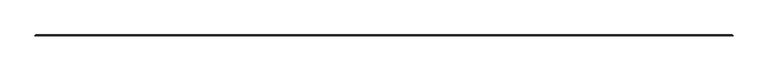
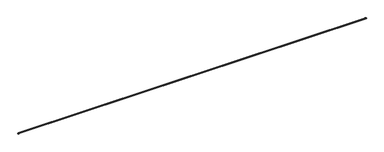
"""IFC4 building model written with IfcOpenShell, lengths in millimetres: railing geometry."""

from ifc_helpers import new_model, si_unit, point, frame, origin, place, context, project, spatial, polyline, circle_curve, ellipse_curve, trimmed, source, transform, mapped, element, save
from ifc_brep_helpers import plane_surface, cylinder_surface, revolved_surface, advanced_brep


def railing_31bafbff(model_context):
    return source(origin(), model_context, "Body", "AdvancedBrep", [
        advanced_brep(
        [(-23693.5336281, 70147.7361872, 660.5497363), (-23693.5336281, 70146.1246849, 662.089655), (-41981.5336281, 70146.1246849, 662.089655), (-41981.5336281, 70147.7361872, 660.5497363), (-23693.5336281, 70147.7361872, 710.9619562), (-41981.5336281, 70147.7361872, 710.9619562), (-23693.5336281, 70146.1246849, 709.4220375), (-41981.5336281, 70146.1246849, 709.4220375), (-23693.5336281, 70146.1246849, 706.4881985), (-41981.5336281, 70146.1246849, 706.4881985), (-23693.5336281, 70147.9894131, 706.4881985), (-41981.5336281, 70147.9894131, 706.4881985), (-23693.5336281, 70147.9894131, 709.0939899), (-41981.5336281, 70147.9894131, 709.0939899), (-23693.5336281, 70147.9894131, 662.4177026), (-41981.5336281, 70147.9894131, 662.4177026), (-23693.5336281, 70146.1246849, 665.023494), (-23693.5336281, 70147.9894131, 665.023494), (-41981.5336281, 70147.9894131, 665.023494), (-41981.5336281, 70146.1246849, 665.023494), (-23690.7802932, 70144.9828523, 660.5497363), (-23692.3917955, 70144.9828523, 662.089655), (-23690.7802932, 70144.9828523, 710.9619562), (-23692.3917955, 70144.9828523, 709.4220375), (-23692.3917955, 70144.9828523, 706.4881985), (-23690.5270673, 70144.9828523, 706.4881985), (-23690.5270673, 70144.9828523, 709.0939899), (-23690.5270673, 70144.9828523, 662.4177026), (-23690.5270673, 70144.9828523, 665.023494), (-23692.3917955, 70144.9828523, 665.023494), (-41984.286963, 70144.9828523, 660.5497363), (-41982.6754607, 70144.9828523, 662.089655), (-41984.286963, 70144.9828523, 710.9619562), (-41982.6754607, 70144.9828523, 709.4220375), (-41982.6754607, 70144.9828523, 706.4881985), (-41984.5401889, 70144.9828523, 706.4881985), (-41984.5401889, 70144.9828523, 709.0939899), (-41984.5401889, 70144.9828523, 662.4177026), (-41984.5401889, 70144.9828523, 665.023494), (-41982.6754607, 70144.9828523, 665.023494)],
        [
            (0, 1, circle_curve(frame((-23693.5336281, 70147.6661935, 662.089655), z_axis=(-1.0, 0.0, 0.0), x_axis=(0.0, -1.0, 0.0)), 1.5415086)),
            (1, 2),
            (2, 3, circle_curve(frame((-41981.5336281, 70147.6661935, 662.089655), z_axis=(1.0, 0.0, 0.0), x_axis=(0.0, -1.0, 0.0)), 1.5415086)),
            (3, 0),
            (4, 0, circle_curve(frame((-23693.5336281, 70145.8611518, 685.7558462), z_axis=(-1.0, 0.0, 0.0), x_axis=(0.0, 0.07418316266858713, -0.9972446331650454)), 25.275754)),
            (3, 5, circle_curve(frame((-41981.5336281, 70145.8611518, 685.7558462), z_axis=(1.0, 0.0, 0.0), x_axis=(0.0, 0.07418316266858713, -0.9972446331650454)), 25.275754)),
            (5, 4),
            (6, 4, circle_curve(frame((-23693.5336281, 70147.6661935, 709.4220375), z_axis=(-1.0, 0.0, 0.0), x_axis=(0.0, 0.0454059353817182, 0.9989686186423031)), 1.5415086)),
            (5, 7, circle_curve(frame((-41981.5336281, 70147.6661935, 709.4220375), z_axis=(1.0, 0.0, 0.0), x_axis=(0.0, 0.0454059353817182, 0.9989686186423031)), 1.5415086)),
            (7, 6),
            (8, 6),
            (7, 9),
            (9, 8),
            (10, 8),
            (9, 11),
            (11, 10),
            (12, 10),
            (11, 13),
            (13, 12),
            (14, 12, circle_curve(frame((-23693.5336281, 70145.834785, 685.7558462), z_axis=(1.0, 0.0, 0.0), x_axis=(0.0, 0.10908602633907188, 0.9940323127834182)), 23.4373926)),
            (13, 15, circle_curve(frame((-41981.5336281, 70145.834785, 685.7558462), z_axis=(-1.0, 0.0, 0.0), x_axis=(0.0, 0.10908602633907188, 0.9940323127834182)), 23.4373926)),
            (15, 14),
            (16, 17),
            (17, 18),
            (18, 19),
            (19, 16),
            (17, 14),
            (15, 18),
            (1, 16),
            (19, 2),
            (0, 20, circle_curve(frame((-23693.5336281, 70144.9828523, 660.5497363), z_axis=(0.0, 0.0, -1.0), x_axis=(1.0, 2.387423592136566e-12, 0.0)), 2.7533349)),
            (20, 21, circle_curve(frame((-23690.8502868, 70144.9828523, 662.089655), z_axis=(0.0, 1.0, 0.0), x_axis=(-1.0, 0.0, 0.0)), 1.5415086)),
            (21, 1, circle_curve(frame((-23693.5336281, 70144.9828523, 662.089655), z_axis=(0.0, 0.0, 1.0), x_axis=(1.0, 2.387423592136566e-12, 0.0)), 1.1418326)),
            (4, 22, circle_curve(frame((-23693.5336281, 70144.9828523, 710.9619562), z_axis=(0.0, 0.0, -1.0), x_axis=(1.0, 2.387423592136566e-12, 0.0)), 2.7533349)),
            (22, 20, circle_curve(frame((-23692.6553286, 70144.9828523, 685.7558462), z_axis=(0.0, 1.0, 0.0), x_axis=(0.07418316266858713, 0.0, -0.9972446331650454)), 25.275754)),
            (6, 23, circle_curve(frame((-23693.5336281, 70144.9828523, 709.4220375), z_axis=(0.0, 0.0, -1.0), x_axis=(1.0, 2.387423592136566e-12, 0.0)), 1.1418326)),
            (23, 22, circle_curve(frame((-23690.8502868, 70144.9828523, 709.4220375), z_axis=(5.199447774438478e-12, 1.0, 0.0), x_axis=(0.0454059353817182, 0.0, 0.9989686186423031)), 1.5415086)),
            (8, 24, circle_curve(frame((-23693.5336281, 70144.9828523, 706.4881985), z_axis=(0.0, 0.0, -1.0), x_axis=(1.0, 2.387423592136566e-12, 0.0)), 1.1418326)),
            (24, 23),
            (10, 25, circle_curve(frame((-23693.5336281, 70144.9828523, 706.4881985), z_axis=(0.0, 0.0, -1.0), x_axis=(1.0, 2.387423592136566e-12, 0.0)), 3.0065608)),
            (25, 24),
            (12, 26, circle_curve(frame((-23693.5336281, 70144.9828523, 709.0939899), z_axis=(0.0, 0.0, -1.0), x_axis=(1.0, 2.387423592136566e-12, 0.0)), 3.0065608)),
            (26, 25),
            (14, 27, circle_curve(frame((-23693.5336281, 70144.9828523, 662.4177026), z_axis=(0.0, 0.0, -1.0), x_axis=(1.0, 2.387423592136566e-12, 0.0)), 3.0065608)),
            (27, 26, circle_curve(frame((-23692.6816954, 70144.9828523, 685.7558462), z_axis=(0.0, -1.0, 0.0), x_axis=(0.10908602633907188, 0.0, 0.9940323127834182)), 23.4373926)),
            (17, 28, circle_curve(frame((-23693.5336281, 70144.9828523, 665.023494), z_axis=(0.0, 0.0, -1.0), x_axis=(1.0, 2.387423592136566e-12, 0.0)), 3.0065608)),
            (28, 27),
            (16, 29, circle_curve(frame((-23693.5336281, 70144.9828523, 665.023494), z_axis=(0.0, 0.0, -1.0), x_axis=(1.0, 2.387423592136566e-12, 0.0)), 1.1418326)),
            (29, 28),
            (21, 29),
            (30, 3, circle_curve(frame((-41981.5336281, 70144.9828523, 660.5497363), z_axis=(0.0, 0.0, -1.0), x_axis=(0.0, 1.0, 0.0)), 2.7533349)),
            (2, 31, circle_curve(frame((-41981.5336281, 70144.9828523, 662.089655), z_axis=(0.0, 0.0, 1.0), x_axis=(0.0, 1.0, 0.0)), 1.1418326)),
            (31, 30, circle_curve(frame((-41984.2169693, 70144.9828523, 662.089655), z_axis=(0.0, 1.0, 0.0), x_axis=(1.0, 0.0, 0.0)), 1.5415086)),
            (32, 5, circle_curve(frame((-41981.5336281, 70144.9828523, 710.9619562), z_axis=(0.0, 0.0, -1.0), x_axis=(0.0, 1.0, 0.0)), 2.7533349)),
            (30, 32, circle_curve(frame((-41982.4119276, 70144.9828523, 685.7558462), z_axis=(0.0, 1.0, 0.0), x_axis=(-0.07418316266858713, 0.0, -0.9972446331650454)), 25.275754)),
            (33, 7, circle_curve(frame((-41981.5336281, 70144.9828523, 709.4220375), z_axis=(0.0, 0.0, -1.0), x_axis=(0.0, 1.0, 0.0)), 1.1418326)),
            (32, 33, circle_curve(frame((-41984.2169693, 70144.9828523, 709.4220375), z_axis=(0.0, 1.0, 0.0), x_axis=(-0.0454059353817182, 0.0, 0.9989686186423031)), 1.5415086)),
            (34, 9, circle_curve(frame((-41981.5336281, 70144.9828523, 706.4881985), z_axis=(0.0, 0.0, -1.0), x_axis=(0.0, 1.0, 0.0)), 1.1418326)),
            (33, 34),
            (35, 11, circle_curve(frame((-41981.5336281, 70144.9828523, 706.4881985), z_axis=(0.0, 0.0, -1.0), x_axis=(0.0, 1.0, 0.0)), 3.0065608)),
            (34, 35),
            (36, 13, circle_curve(frame((-41981.5336281, 70144.9828523, 709.0939899), z_axis=(0.0, 0.0, -1.0), x_axis=(0.0, 1.0, 0.0)), 3.0065608)),
            (35, 36),
            (37, 15, circle_curve(frame((-41981.5336281, 70144.9828523, 662.4177026), z_axis=(0.0, 0.0, -1.0), x_axis=(0.0, 1.0, 0.0)), 3.0065608)),
            (36, 37, circle_curve(frame((-41982.3855608, 70144.9828523, 685.7558462), z_axis=(0.0, -1.0, 0.0), x_axis=(-0.10908602633907188, 0.0, 0.9940323127834182)), 23.4373926)),
            (38, 18, circle_curve(frame((-41981.5336281, 70144.9828523, 665.023494), z_axis=(0.0, 0.0, -1.0), x_axis=(0.0, 1.0, 0.0)), 3.0065608)),
            (37, 38),
            (39, 19, circle_curve(frame((-41981.5336281, 70144.9828523, 665.023494), z_axis=(0.0, 0.0, -1.0), x_axis=(0.0, 1.0, 0.0)), 1.1418326)),
            (38, 39),
            (39, 31),
        ],
        [
            cylinder_surface(frame((-23693.5336281, 70147.6661935, 662.089655), z_axis=(1.0, 0.0, 0.0), x_axis=(0.0, -1.0, 0.0)), 1.5415086),
            cylinder_surface(frame((-23693.5336281, 70145.8611518, 685.7558462), z_axis=(1.0, 0.0, 0.0), x_axis=(0.0, 0.07418316266858713, -0.9972446331650454)), 25.275754),
            cylinder_surface(frame((-23693.5336281, 70147.6661935, 709.4220375), z_axis=(1.0, 0.0, 0.0), x_axis=(0.0, 0.0454059353817182, 0.9989686186423031)), 1.5415086),
            plane_surface(frame((-23693.5336281, 70146.1246849, 709.4220375), z_axis=(0.0, -1.0, 0.0), x_axis=(-1.0, 0.0, 0.0))),
            plane_surface(frame((-23693.5336281, 70146.1246849, 706.4881985), z_axis=(0.0, 0.0, -1.0), x_axis=(-1.0, 0.0, 0.0))),
            plane_surface(frame((-23693.5336281, 70147.9894131, 706.4881985), z_axis=(0.0, 1.0, 0.0), x_axis=(-1.0, 0.0, 0.0))),
            revolved_surface(polyline([(-41981.5336281, 70148.39147702648, 709.0533717717909), (-23693.5336281, 70148.39147702648, 709.0533717717909)]), (-23693.5336281, 70145.834785, 685.7558462), (-1.0, 0.0, 0.0)),
            plane_surface(frame((-23693.5336281, 70147.9894131, 665.023494), z_axis=(0.0, 0.0, 1.0), x_axis=(-1.0, 0.0, 0.0))),
            plane_surface(frame((-23693.5336281, 70147.9894131, 662.4177026), z_axis=(0.0, 1.0, 0.0), x_axis=(-1.0, 0.0, 0.0))),
            plane_surface(frame((-23693.5336281, 70146.1246849, 665.023494), z_axis=(0.0, -1.0, 0.0), x_axis=(-1.0, 0.0, 0.0))),
            revolved_surface(trimmed(ellipse_curve(frame((-23690.8502868, 70144.9828523, 662.089655), z_axis=(2.387423592136566e-12, -1.0, 0.0), x_axis=(-1.0, -2.387423592136566e-12, 0.0)), 1.5415086, 1.5415086), [point((-23692.3917955, 70144.9828523, 662.089655))], [point((-23690.7802932, 70144.9828523, 660.5497363))], True, "CARTESIAN"), (-23693.5336281, 70144.9828523, 711.2), (0.0, 0.0, 1.0)),
            revolved_surface(trimmed(ellipse_curve(frame((-23692.6553286, 70144.9828523, 685.7558462), z_axis=(2.387423592136566e-12, -1.0, 0.0), x_axis=(0.07418316266858713, 0.0, -0.9972446331650454)), 25.275754, 25.275754), [point((-23690.7802932, 70144.9828523, 660.5497363))], [point((-23690.7802932, 70144.9828523, 710.9619562))], True, "CARTESIAN"), (-23693.5336281, 70144.9828523, 711.2), (0.0, 0.0, 1.0)),
            revolved_surface(trimmed(ellipse_curve(frame((-23690.8502868, 70144.9828523, 709.4220375), z_axis=(2.387423592136566e-12, -1.0, 0.0), x_axis=(0.0454059353817182, 0.0, 0.9989686186423031)), 1.5415086, 1.5415086), [point((-23690.7802932, 70144.9828523, 710.9619562))], [point((-23692.3917955, 70144.9828523, 709.4220375))], True, "CARTESIAN"), (-23693.5336281, 70144.9828523, 711.2), (0.0, 0.0, 1.0)),
            revolved_surface(polyline([(-23692.391795500003, 70144.9828523, 709.4220375), (-23692.391795500003, 70144.9828523, 706.4881985)]), (-23693.5336281, 70144.9828523, 711.2), (0.0, 0.0, 1.0)),
            plane_surface(frame((-23693.5336281, 70144.9828523, 706.4881985), z_axis=(0.0, 0.0, -1.0), x_axis=(1.0, 2.387423592136566e-12, 0.0))),
            cylinder_surface(frame((-23693.5336281, 70144.9828523, 711.2), z_axis=(0.0, 0.0, 1.0), x_axis=(1.0, 2.387423592136566e-12, 0.0)), 3.0065608),
            revolved_surface(trimmed(ellipse_curve(frame((-23692.6816954, 70144.9828523, 685.7558462), z_axis=(-2.387423592136566e-12, 1.0, 0.0), x_axis=(0.10908602633907188, 0.0, 0.9940323127834182)), 23.4373926, 23.4373926), [point((-23690.5270673, 70144.9828523, 709.0939899))], [point((-23690.5270673, 70144.9828523, 662.4177026))], True, "CARTESIAN"), (-23693.5336281, 70144.9828523, 711.2), (0.0, 0.0, 1.0)),
            plane_surface(frame((-23693.5336281, 70144.9828523, 665.023494), z_axis=(0.0, 0.0, 1.0), x_axis=(1.0, 2.387423592136566e-12, 0.0))),
            revolved_surface(polyline([(-23692.391795500003, 70144.9828523, 665.023494), (-23692.391795500003, 70144.9828523, 662.089655)]), (-23693.5336281, 70144.9828523, 711.2), (0.0, 0.0, 1.0)),
            plane_surface(frame((-23692.7398781, 70144.9828523, 711.2), z_axis=(2.387423592136566e-12, -1.0, 0.0), x_axis=(0.0, 0.0, 1.0))),
            revolved_surface(trimmed(ellipse_curve(frame((-41981.5336281, 70147.6661935, 662.089655), z_axis=(1.0, 0.0, 0.0), x_axis=(0.0, -1.0, 0.0)), 1.5415086, 1.5415086), [point((-41981.5336281, 70146.1246849, 662.089655))], [point((-41981.5336281, 70147.7361872, 660.5497363))], True, "CARTESIAN"), (-41981.5336281, 70144.9828523, 711.2), (0.0, 0.0, 1.0)),
            revolved_surface(trimmed(ellipse_curve(frame((-41981.5336281, 70145.8611518, 685.7558462), z_axis=(1.0, 0.0, 0.0), x_axis=(0.0, 0.07418316266858713, -0.9972446331650454)), 25.275754, 25.275754), [point((-41981.5336281, 70147.7361872, 660.5497363))], [point((-41981.5336281, 70147.7361872, 710.9619562))], True, "CARTESIAN"), (-41981.5336281, 70144.9828523, 711.2), (0.0, 0.0, 1.0)),
            revolved_surface(trimmed(ellipse_curve(frame((-41981.5336281, 70147.6661935, 709.4220375), z_axis=(1.0, 0.0, 0.0), x_axis=(0.0, 0.0454059353817182, 0.9989686186423031)), 1.5415086, 1.5415086), [point((-41981.5336281, 70147.7361872, 710.9619562))], [point((-41981.5336281, 70146.1246849, 709.4220375))], True, "CARTESIAN"), (-41981.5336281, 70144.9828523, 711.2), (0.0, 0.0, 1.0)),
            revolved_surface(polyline([(-41981.5336281, 70146.1246849, 709.4220375), (-41981.5336281, 70146.1246849, 706.4881985)]), (-41981.5336281, 70144.9828523, 711.2), (0.0, 0.0, 1.0)),
            plane_surface(frame((-41981.5336281, 70144.9828523, 706.4881985), z_axis=(0.0, 0.0, -1.0), x_axis=(0.0, 1.0, 0.0))),
            cylinder_surface(frame((-41981.5336281, 70144.9828523, 711.2), z_axis=(0.0, 0.0, 1.0), x_axis=(0.0, 1.0, 0.0)), 3.0065608),
            revolved_surface(trimmed(ellipse_curve(frame((-41981.5336281, 70145.834785, 685.7558462), z_axis=(-1.0, 0.0, 0.0), x_axis=(0.0, 0.10908602633907188, 0.9940323127834182)), 23.4373926, 23.4373926), [point((-41981.5336281, 70147.9894131, 709.0939899))], [point((-41981.5336281, 70147.9894131, 662.4177026))], True, "CARTESIAN"), (-41981.5336281, 70144.9828523, 711.2), (0.0, 0.0, 1.0)),
            plane_surface(frame((-41981.5336281, 70144.9828523, 665.023494), z_axis=(0.0, 0.0, 1.0), x_axis=(0.0, 1.0, 0.0))),
            revolved_surface(polyline([(-41981.5336281, 70146.1246849, 665.023494), (-41981.5336281, 70146.1246849, 662.089655)]), (-41981.5336281, 70144.9828523, 711.2), (0.0, 0.0, 1.0)),
            plane_surface(frame((-41982.3273781, 70144.9828523, 711.2), z_axis=(0.0, -1.0, 0.0), x_axis=(0.0, 0.0, -1.0))),
        ],
        [
            (0, [[1, 2, 3, 4]]),
            (1, [[5, -4, 6, 7]]),
            (2, [[8, -7, 9, 10]]),
            (3, [[11, -10, 12, 13]]),
            (4, [[14, -13, 15, 16]]),
            (5, [[17, -16, 18, 19]]),
            (6, [[20, -19, 21, 22]]),
            (7, [[23, 24, 25, 26]]),
            (8, [[27, -22, 28, -24]]),
            (9, [[29, -26, 30, -2]]),
            (10, [[31, 32, 33, -1]]),
            (11, [[34, 35, -31, -5]]),
            (12, [[36, 37, -34, -8]]),
            (13, [[38, 39, -36, -11]]),
            (14, [[40, 41, -38, -14]]),
            (15, [[42, 43, -40, -17]]),
            (16, [[44, 45, -42, -20]]),
            (15, [[46, 47, -44, -27]]),
            (17, [[48, 49, -46, -23]]),
            (18, [[-33, 50, -48, -29]]),
            (19, [[-32, -35, -37, -39, -41, -43, -45, -47, -49, -50]]),
            (20, [[51, -3, 52, 53]]),
            (21, [[54, -6, -51, 55]]),
            (22, [[56, -9, -54, 57]]),
            (23, [[58, -12, -56, 59]]),
            (24, [[60, -15, -58, 61]]),
            (25, [[62, -18, -60, 63]]),
            (26, [[64, -21, -62, 65]]),
            (25, [[66, -28, -64, 67]]),
            (27, [[68, -25, -66, 69]]),
            (28, [[-52, -30, -68, 70]]),
            (29, [[-70, -69, -67, -65, -63, -61, -59, -57, -55, -53]]),
        ],
    ),
        advanced_brep(
        [(-23693.5336281, 70148.1385914, 701.2912111), (-23693.5336281, 70148.9032007, 702.1590981), (-41981.5336281, 70148.9032007, 702.1590981), (-41981.5336281, 70148.1385914, 701.2912111), (-23693.5336281, 70148.1445863, 708.1307613), (-41981.5336281, 70148.1445863, 708.1307613), (-23693.5336281, 70149.0809844, 708.9529375), (-41981.5336281, 70149.0809844, 708.9529375), (-23693.5336281, 70160.1846025, 702.6593278), (-41981.5336281, 70160.1846025, 702.6593278), (-23693.5336281, 70158.6184968, 701.0610484), (-41981.5336281, 70158.6184968, 701.0610484), (-23693.5336281, 70150.6567038, 706.1119583), (-41981.5336281, 70150.6567038, 706.1119583), (-23693.5336281, 70148.0142761, 699.0561068), (-23693.5336281, 70148.0142761, 672.447512), (-41981.5336281, 70148.0142761, 672.447512), (-41981.5336281, 70148.0142761, 699.0561068), (-23693.5336281, 70151.1230343, 702.4410962), (-41981.5336281, 70151.1230343, 702.4410962), (-23693.5336281, 70145.7766023, 701.2912111), (-41981.5336281, 70145.7766023, 701.2912111), (-23693.5336281, 70145.7766023, 670.2124078), (-41981.5336281, 70145.7766023, 670.2124078), (-23693.5336281, 70148.1385914, 670.2124078), (-41981.5336281, 70148.1385914, 670.2124078), (-23693.5336281, 70148.9032007, 669.3445208), (-41981.5336281, 70148.9032007, 669.3445208), (-23693.5336281, 70148.1445863, 663.3728575), (-41981.5336281, 70148.1445863, 663.3728575), (-23693.5336281, 70149.0809844, 662.5506813), (-41981.5336281, 70149.0809844, 662.5506813), (-23693.5336281, 70160.1846025, 668.844291), (-41981.5336281, 70160.1846025, 668.844291), (-23693.5336281, 70158.6184968, 670.4425704), (-41981.5336281, 70158.6184968, 670.4425704), (-23693.5336281, 70150.6567038, 665.3916605), (-41981.5336281, 70150.6567038, 665.3916605), (-23693.5336281, 70151.1230343, 669.0625226), (-41981.5336281, 70151.1230343, 669.0625226), (-23690.5022042, 70144.9828523, 672.447512), (-23687.3934461, 70144.9828523, 669.0625226), (-23690.5022042, 70144.9828523, 699.0561068), (-23687.3934461, 70144.9828523, 702.4410962), (-23687.8597766, 70144.9828523, 706.1119583), (-23679.8979836, 70144.9828523, 701.0610484), (-23678.3318778, 70144.9828523, 702.6593278), (-23689.435496, 70144.9828523, 708.9529375), (-23690.3718941, 70144.9828523, 708.1307613), (-23689.6132797, 70144.9828523, 702.1590981), (-23690.377889, 70144.9828523, 701.2912111), (-23692.7398781, 70144.9828523, 701.2912111), (-23692.7398781, 70144.9828523, 670.2124078), (-23690.377889, 70144.9828523, 670.2124078), (-23689.6132797, 70144.9828523, 669.3445208), (-23690.3718941, 70144.9828523, 663.3728575), (-23689.435496, 70144.9828523, 662.5506813), (-23678.3318778, 70144.9828523, 668.844291), (-23679.8979836, 70144.9828523, 670.4425704), (-23687.8597766, 70144.9828523, 665.3916605), (-41984.5650519, 70144.9828523, 672.447512), (-41987.6738101, 70144.9828523, 669.0625226), (-41984.5650519, 70144.9828523, 699.0561068), (-41987.6738101, 70144.9828523, 702.4410962), (-41987.2074796, 70144.9828523, 706.1119583), (-41995.1692726, 70144.9828523, 701.0610484), (-41996.7353783, 70144.9828523, 702.6593278), (-41985.6317602, 70144.9828523, 708.9529375), (-41984.6953621, 70144.9828523, 708.1307613), (-41985.4539765, 70144.9828523, 702.1590981), (-41984.6893671, 70144.9828523, 701.2912111), (-41982.3273781, 70144.9828523, 701.2912111), (-41982.3273781, 70144.9828523, 670.2124078), (-41984.6893671, 70144.9828523, 670.2124078), (-41985.4539765, 70144.9828523, 669.3445208), (-41984.6953621, 70144.9828523, 663.3728575), (-41985.6317602, 70144.9828523, 662.5506813), (-41996.7353783, 70144.9828523, 668.844291), (-41995.1692726, 70144.9828523, 670.4425704), (-41987.2074796, 70144.9828523, 665.3916605)],
        [
            (0, 1, circle_curve(frame((-23693.5336281, 70148.1385914, 702.0619654), z_axis=(1.0, 0.0, 0.0), x_axis=(0.0, 0.0, -1.0)), 0.7707543)),
            (1, 2),
            (2, 3, circle_curve(frame((-41981.5336281, 70148.1385914, 702.0619654), z_axis=(-1.0, 0.0, 0.0), x_axis=(0.0, 0.0, -1.0)), 0.7707543)),
            (3, 0),
            (1, 4),
            (4, 5),
            (5, 2),
            (4, 6, circle_curve(frame((-23693.5336281, 70148.8905268, 708.2255224), z_axis=(-1.0, 0.0, 0.0), x_axis=(0.0, -0.9920273342422427, -0.12602288727143926)), 0.7519354)),
            (6, 7),
            (7, 5, circle_curve(frame((-41981.5336281, 70148.8905268, 708.2255224), z_axis=(1.0, 0.0, 0.0), x_axis=(0.0, -0.9920273342422427, -0.12602288727143926)), 0.7519354)),
            (6, 8, circle_curve(frame((-23693.5336281, 70142.7834274, 684.9006681), z_axis=(-1.0, 0.0, 0.0), x_axis=(0.0, 0.25328987662532304, 0.9673904270764357)), 24.8630426)),
            (8, 9),
            (9, 7, circle_curve(frame((-41981.5336281, 70142.7834274, 684.9006681), z_axis=(1.0, 0.0, 0.0), x_axis=(0.0, 0.25328987662532304, 0.9673904270764357)), 24.8630426)),
            (8, 10, circle_curve(frame((-23693.5336281, 70159.4015497, 701.8601881), z_axis=(-1.0, 0.0, 0.0), x_axis=(0.0, 0.6998811599601241, 0.7142593100078369)), 1.1188369)),
            (10, 11),
            (11, 9, circle_curve(frame((-41981.5336281, 70159.4015497, 701.8601881), z_axis=(1.0, 0.0, 0.0), x_axis=(0.0, 0.6998811599601241, 0.7142593100078369)), 1.1188369)),
            (10, 12, circle_curve(frame((-23693.5336281, 70142.7834274, 684.9006681), z_axis=(1.0, 0.0, 0.0), x_axis=(0.0, 0.6998811599601051, 0.7142593100078556)), 22.6253688)),
            (12, 13),
            (13, 11, circle_curve(frame((-41981.5336281, 70142.7834274, 684.9006681), z_axis=(-1.0, 0.0, 0.0), x_axis=(0.0, 0.6998811599601051, 0.7142593100078556)), 22.6253688)),
            (14, 15),
            (15, 16),
            (16, 17),
            (17, 14),
            (18, 14, circle_curve(frame((-23693.5336281, 70148.1385914, 702.0619654), z_axis=(-1.0, 0.0, 0.0), x_axis=(0.0, 0.9920273342422518, 0.12602288727136737)), 3.0084282)),
            (17, 19, circle_curve(frame((-41981.5336281, 70148.1385914, 702.0619654), z_axis=(1.0, 0.0, 0.0), x_axis=(0.0, 0.9920273342422518, 0.12602288727136737)), 3.0084282)),
            (19, 18),
            (12, 18),
            (19, 13),
            (20, 0),
            (3, 21),
            (21, 20),
            (22, 20),
            (21, 23),
            (23, 22),
            (24, 22),
            (23, 25),
            (25, 24),
            (26, 24, circle_curve(frame((-23693.5336281, 70148.1385914, 669.4416534), z_axis=(1.0, 0.0, 0.0), x_axis=(0.0, 0.9920273342422673, -0.12602288727124547)), 0.7707543)),
            (25, 27, circle_curve(frame((-41981.5336281, 70148.1385914, 669.4416534), z_axis=(-1.0, 0.0, 0.0), x_axis=(0.0, 0.9920273342422673, -0.12602288727124547)), 0.7707543)),
            (27, 26),
            (28, 26),
            (27, 29),
            (29, 28),
            (30, 28, circle_curve(frame((-23693.5336281, 70148.8905268, 663.2780964), z_axis=(-1.0, 0.0, 0.0), x_axis=(0.0, 0.25328987662541735, -0.967390427076411)), 0.7519354)),
            (29, 31, circle_curve(frame((-41981.5336281, 70148.8905268, 663.2780964), z_axis=(1.0, 0.0, 0.0), x_axis=(0.0, 0.25328987662541735, -0.967390427076411)), 0.7519354)),
            (31, 30),
            (32, 30, circle_curve(frame((-23693.5336281, 70142.7834274, 686.6029507), z_axis=(-1.0, 0.0, 0.0), x_axis=(0.0, 0.6998811599601318, -0.7142593100078293)), 24.8630426)),
            (31, 33, circle_curve(frame((-41981.5336281, 70142.7834274, 686.6029507), z_axis=(1.0, 0.0, 0.0), x_axis=(0.0, 0.6998811599601318, -0.7142593100078293)), 24.8630426)),
            (33, 32),
            (34, 32, circle_curve(frame((-23693.5336281, 70159.4015497, 669.6434307), z_axis=(-1.0, 0.0, 0.0), x_axis=(0.0, -0.6998811599601241, 0.7142593100078369)), 1.1188369)),
            (33, 35, circle_curve(frame((-41981.5336281, 70159.4015497, 669.6434307), z_axis=(1.0, 0.0, 0.0), x_axis=(0.0, -0.6998811599601241, 0.7142593100078369)), 1.1188369)),
            (35, 34),
            (36, 34, circle_curve(frame((-23693.5336281, 70142.7834274, 686.6029507), z_axis=(1.0, 0.0, 0.0), x_axis=(0.0, 0.3479844424952914, -0.9375003081499448)), 22.6253688)),
            (35, 37, circle_curve(frame((-41981.5336281, 70142.7834274, 686.6029507), z_axis=(-1.0, 0.0, 0.0), x_axis=(0.0, 0.3479844424952914, -0.9375003081499448)), 22.6253688)),
            (37, 36),
            (38, 36),
            (37, 39),
            (39, 38),
            (15, 38, circle_curve(frame((-23693.5336281, 70148.1385914, 669.4416534), z_axis=(-1.0, 0.0, 0.0), x_axis=(0.0, 0.0, 1.0)), 3.0084282)),
            (39, 16, circle_curve(frame((-41981.5336281, 70148.1385914, 669.4416534), z_axis=(1.0, 0.0, 0.0), x_axis=(0.0, 0.0, 1.0)), 3.0084282)),
            (15, 40, circle_curve(frame((-23693.5336281, 70144.9828523, 672.447512), z_axis=(0.0, 0.0, -1.0), x_axis=(1.0, 2.387423592136566e-12, 0.0)), 3.0314238)),
            (40, 41, circle_curve(frame((-23690.377889, 70144.9828523, 669.4416534), z_axis=(0.0, 1.0, 0.0), x_axis=(0.0, 0.0, 1.0)), 3.0084282)),
            (41, 38, circle_curve(frame((-23693.5336281, 70144.9828523, 669.0625226), z_axis=(0.0, 0.0, 1.0), x_axis=(1.0, 2.387423592136566e-12, 0.0)), 6.140182)),
            (14, 42, circle_curve(frame((-23693.5336281, 70144.9828523, 699.0561068), z_axis=(0.0, 0.0, -1.0), x_axis=(1.0, 2.387423592136566e-12, 0.0)), 3.0314238)),
            (42, 40),
            (18, 43, circle_curve(frame((-23693.5336281, 70144.9828523, 702.4410962), z_axis=(0.0, 0.0, -1.0), x_axis=(1.0, 2.387423592136566e-12, 0.0)), 6.140182)),
            (43, 42, circle_curve(frame((-23690.377889, 70144.9828523, 702.0619654), z_axis=(0.0, 1.0, 0.0), x_axis=(0.9920273342422518, 0.0, 0.12602288727136737)), 3.0084282)),
            (12, 44, circle_curve(frame((-23693.5336281, 70144.9828523, 706.1119583), z_axis=(0.0, 0.0, -1.0), x_axis=(1.0, 2.387423592136566e-12, 0.0)), 5.6738515)),
            (44, 43),
            (10, 45, circle_curve(frame((-23693.5336281, 70144.9828523, 701.0610484), z_axis=(0.0, 0.0, -1.0), x_axis=(1.0, 2.387423592136566e-12, 0.0)), 13.6356445)),
            (45, 44, circle_curve(frame((-23695.733053, 70144.9828523, 684.9006681), z_axis=(1.7521080376705056e-12, -1.0000000000000002, 0.0), x_axis=(0.6998811599601051, 1.2262674057802568e-12, 0.7142593100078556)), 22.6253688)),
            (8, 46, circle_curve(frame((-23693.5336281, 70144.9828523, 702.6593278), z_axis=(0.0, 0.0, -1.0), x_axis=(1.0, 2.387423592136566e-12, 0.0)), 15.2017502)),
            (46, 45, circle_curve(frame((-23679.1149307, 70144.9828523, 701.8601881), z_axis=(-1.8175591425595897e-12, 1.0000000000000002, 0.0), x_axis=(0.6998811599601241, 1.272075400990734e-12, 0.7142593100078369)), 1.1188369)),
            (6, 47, circle_curve(frame((-23693.5336281, 70144.9828523, 708.9529375), z_axis=(0.0, 0.0, -1.0), x_axis=(1.0, 2.387423592136566e-12, 0.0)), 4.0981321)),
            (47, 46, circle_curve(frame((-23695.733053, 70144.9828523, 684.9006681), z_axis=(0.0, 1.0000000000000002, 0.0), x_axis=(0.25328987662532304, 0.0, 0.9673904270764357)), 24.8630426)),
            (4, 48, circle_curve(frame((-23693.5336281, 70144.9828523, 708.1307613), z_axis=(0.0, 0.0, -1.0), x_axis=(1.0, 2.387423592136566e-12, 0.0)), 3.161734)),
            (48, 47, circle_curve(frame((-23689.6259536, 70144.9828523, 708.2255224), z_axis=(0.0, 1.0000000000000002, 0.0), x_axis=(-0.9920273342422427, 0.0, -0.12602288727143926)), 0.7519354)),
            (1, 49, circle_curve(frame((-23693.5336281, 70144.9828523, 702.1590981), z_axis=(0.0, 0.0, -1.0), x_axis=(1.0, 2.387423592136566e-12, 0.0)), 3.9203484)),
            (49, 48),
            (0, 50, circle_curve(frame((-23693.5336281, 70144.9828523, 701.2912111), z_axis=(0.0, 0.0, -1.0), x_axis=(1.0, 2.387423592136566e-12, 0.0)), 3.155739)),
            (50, 49, circle_curve(frame((-23690.377889, 70144.9828523, 702.0619654), z_axis=(0.0, -1.0, 0.0), x_axis=(0.0, 0.0, -1.0)), 0.7707543)),
            (20, 51, circle_curve(frame((-23693.5336281, 70144.9828523, 701.2912111), z_axis=(0.0, 0.0, -1.0), x_axis=(1.0, 2.387423592136566e-12, 0.0)), 0.79375)),
            (51, 50),
            (22, 52, circle_curve(frame((-23693.5336281, 70144.9828523, 670.2124078), z_axis=(0.0, 0.0, -1.0), x_axis=(1.0, 2.387423592136566e-12, 0.0)), 0.79375)),
            (52, 51),
            (24, 53, circle_curve(frame((-23693.5336281, 70144.9828523, 670.2124078), z_axis=(0.0, 0.0, -1.0), x_axis=(1.0, 2.387423592136566e-12, 0.0)), 3.155739)),
            (53, 52),
            (26, 54, circle_curve(frame((-23693.5336281, 70144.9828523, 669.3445208), z_axis=(0.0, 0.0, -1.0), x_axis=(1.0, 2.387423592136566e-12, 0.0)), 3.9203484)),
            (54, 53, circle_curve(frame((-23690.377889, 70144.9828523, 669.4416534), z_axis=(0.0, -1.0000000000000002, 0.0), x_axis=(0.9920273342422673, 0.0, -0.12602288727124547)), 0.7707543)),
            (28, 55, circle_curve(frame((-23693.5336281, 70144.9828523, 663.3728575), z_axis=(0.0, 0.0, -1.0), x_axis=(1.0, 2.387423592136566e-12, 0.0)), 3.161734)),
            (55, 54),
            (30, 56, circle_curve(frame((-23693.5336281, 70144.9828523, 662.5506813), z_axis=(0.0, 0.0, -1.0), x_axis=(1.0, 2.387423592136566e-12, 0.0)), 4.0981321)),
            (56, 55, circle_curve(frame((-23689.6259536, 70144.9828523, 663.2780964), z_axis=(0.0, 1.0, 0.0), x_axis=(0.25328987662541735, 0.0, -0.967390427076411)), 0.7519354)),
            (32, 57, circle_curve(frame((-23693.5336281, 70144.9828523, 668.844291), z_axis=(0.0, 0.0, -1.0), x_axis=(1.0, 2.387423592136566e-12, 0.0)), 15.2017502)),
            (57, 56, circle_curve(frame((-23695.733053, 70144.9828523, 686.6029507), z_axis=(-1.8175591425594269e-12, 1.0, 0.0), x_axis=(0.6998811599601318, 1.2720754009906343e-12, -0.7142593100078293)), 24.8630426)),
            (34, 58, circle_curve(frame((-23693.5336281, 70144.9828523, 670.4425704), z_axis=(0.0, 0.0, -1.0), x_axis=(1.0, 2.387423592136566e-12, 0.0)), 13.6356445)),
            (58, 57, circle_curve(frame((-23679.1149307, 70144.9828523, 669.6434307), z_axis=(-1.7521080376705056e-12, 1.0000000000000002, 0.0), x_axis=(-0.6998811599601241, -1.22626740578029e-12, 0.7142593100078369)), 1.1188369)),
            (36, 59, circle_curve(frame((-23693.5336281, 70144.9828523, 665.3916605), z_axis=(0.0, 0.0, -1.0), x_axis=(1.0, 2.387423592136566e-12, 0.0)), 5.6738515)),
            (59, 58, circle_curve(frame((-23695.733053, 70144.9828523, 686.6029507), z_axis=(0.0, -1.0000000000000002, 0.0), x_axis=(0.3479844424952914, 0.0, -0.9375003081499448)), 22.6253688)),
            (41, 59),
            (60, 16, circle_curve(frame((-41981.5336281, 70144.9828523, 672.447512), z_axis=(0.0, 0.0, -1.0), x_axis=(0.0, 1.0, 0.0)), 3.0314238)),
            (39, 61, circle_curve(frame((-41981.5336281, 70144.9828523, 669.0625226), z_axis=(0.0, 0.0, 1.0), x_axis=(0.0, 1.0, 0.0)), 6.140182)),
            (61, 60, circle_curve(frame((-41984.6893671, 70144.9828523, 669.4416534), z_axis=(0.0, 1.0, 0.0), x_axis=(0.0, 0.0, 1.0)), 3.0084282)),
            (62, 17, circle_curve(frame((-41981.5336281, 70144.9828523, 699.0561068), z_axis=(0.0, 0.0, -1.0), x_axis=(0.0, 1.0, 0.0)), 3.0314238)),
            (60, 62),
            (63, 19, circle_curve(frame((-41981.5336281, 70144.9828523, 702.4410962), z_axis=(0.0, 0.0, -1.0), x_axis=(0.0, 1.0, 0.0)), 6.140182)),
            (62, 63, circle_curve(frame((-41984.6893671, 70144.9828523, 702.0619654), z_axis=(0.0, 1.0, 0.0), x_axis=(-0.9920273342422518, 0.0, 0.12602288727136737)), 3.0084282)),
            (64, 13, circle_curve(frame((-41981.5336281, 70144.9828523, 706.1119583), z_axis=(0.0, 0.0, -1.0), x_axis=(0.0, 1.0, 0.0)), 5.6738515)),
            (63, 64),
            (65, 11, circle_curve(frame((-41981.5336281, 70144.9828523, 701.0610484), z_axis=(0.0, 0.0, -1.0), x_axis=(0.0, 1.0, 0.0)), 13.6356445)),
            (64, 65, circle_curve(frame((-41979.3342032, 70144.9828523, 684.9006681), z_axis=(0.0, -1.0000000000000002, 0.0), x_axis=(-0.6998811599601051, 0.0, 0.7142593100078556)), 22.6253688)),
            (66, 9, circle_curve(frame((-41981.5336281, 70144.9828523, 702.6593278), z_axis=(0.0, 0.0, -1.0), x_axis=(0.0, 1.0, 0.0)), 15.2017502)),
            (65, 66, circle_curve(frame((-41995.9523254, 70144.9828523, 701.8601881), z_axis=(0.0, 1.0000000000000002, 0.0), x_axis=(-0.6998811599601241, 0.0, 0.7142593100078369)), 1.1188369)),
            (67, 7, circle_curve(frame((-41981.5336281, 70144.9828523, 708.9529375), z_axis=(0.0, 0.0, -1.0), x_axis=(0.0, 1.0, 0.0)), 4.0981321)),
            (66, 67, circle_curve(frame((-41979.3342032, 70144.9828523, 684.9006681), z_axis=(0.0, 1.0000000000000002, 0.0), x_axis=(-0.25328987662532304, 0.0, 0.9673904270764357)), 24.8630426)),
            (68, 5, circle_curve(frame((-41981.5336281, 70144.9828523, 708.1307613), z_axis=(0.0, 0.0, -1.0), x_axis=(0.0, 1.0, 0.0)), 3.161734)),
            (67, 68, circle_curve(frame((-41985.4413026, 70144.9828523, 708.2255224), z_axis=(0.0, 1.0000000000000002, 0.0), x_axis=(0.9920273342422427, 0.0, -0.12602288727143926)), 0.7519354)),
            (69, 2, circle_curve(frame((-41981.5336281, 70144.9828523, 702.1590981), z_axis=(0.0, 0.0, -1.0), x_axis=(0.0, 1.0, 0.0)), 3.9203484)),
            (68, 69),
            (70, 3, circle_curve(frame((-41981.5336281, 70144.9828523, 701.2912111), z_axis=(0.0, 0.0, -1.0), x_axis=(0.0, 1.0, 0.0)), 3.155739)),
            (69, 70, circle_curve(frame((-41984.6893671, 70144.9828523, 702.0619654), z_axis=(0.0, -1.0, 0.0), x_axis=(0.0, 0.0, -1.0)), 0.7707543)),
            (71, 21, circle_curve(frame((-41981.5336281, 70144.9828523, 701.2912111), z_axis=(0.0, 0.0, -1.0), x_axis=(0.0, 1.0, 0.0)), 0.79375)),
            (70, 71),
            (72, 23, circle_curve(frame((-41981.5336281, 70144.9828523, 670.2124078), z_axis=(0.0, 0.0, -1.0), x_axis=(0.0, 1.0, 0.0)), 0.79375)),
            (71, 72),
            (73, 25, circle_curve(frame((-41981.5336281, 70144.9828523, 670.2124078), z_axis=(0.0, 0.0, -1.0), x_axis=(0.0, 1.0, 0.0)), 3.155739)),
            (72, 73),
            (74, 27, circle_curve(frame((-41981.5336281, 70144.9828523, 669.3445208), z_axis=(0.0, 0.0, -1.0), x_axis=(0.0, 1.0, 0.0)), 3.9203484)),
            (73, 74, circle_curve(frame((-41984.6893671, 70144.9828523, 669.4416534), z_axis=(0.0, -1.0000000000000002, 0.0), x_axis=(-0.9920273342422673, 0.0, -0.12602288727124547)), 0.7707543)),
            (75, 29, circle_curve(frame((-41981.5336281, 70144.9828523, 663.3728575), z_axis=(0.0, 0.0, -1.0), x_axis=(0.0, 1.0, 0.0)), 3.161734)),
            (74, 75),
            (76, 31, circle_curve(frame((-41981.5336281, 70144.9828523, 662.5506813), z_axis=(0.0, 0.0, -1.0), x_axis=(0.0, 1.0, 0.0)), 4.0981321)),
            (75, 76, circle_curve(frame((-41985.4413026, 70144.9828523, 663.2780964), z_axis=(0.0, 1.0, 0.0), x_axis=(-0.25328987662541735, 0.0, -0.967390427076411)), 0.7519354)),
            (77, 33, circle_curve(frame((-41981.5336281, 70144.9828523, 668.844291), z_axis=(0.0, 0.0, -1.0), x_axis=(0.0, 1.0, 0.0)), 15.2017502)),
            (76, 77, circle_curve(frame((-41979.3342032, 70144.9828523, 686.6029507), z_axis=(0.0, 1.0, 0.0), x_axis=(-0.6998811599601318, 0.0, -0.7142593100078293)), 24.8630426)),
            (78, 35, circle_curve(frame((-41981.5336281, 70144.9828523, 670.4425704), z_axis=(0.0, 0.0, -1.0), x_axis=(0.0, 1.0, 0.0)), 13.6356445)),
            (77, 78, circle_curve(frame((-41995.9523254, 70144.9828523, 669.6434307), z_axis=(0.0, 1.0000000000000002, 0.0), x_axis=(0.6998811599601241, 0.0, 0.7142593100078369)), 1.1188369)),
            (79, 37, circle_curve(frame((-41981.5336281, 70144.9828523, 665.3916605), z_axis=(0.0, 0.0, -1.0), x_axis=(0.0, 1.0, 0.0)), 5.6738515)),
            (78, 79, circle_curve(frame((-41979.3342032, 70144.9828523, 686.6029507), z_axis=(0.0, -1.0000000000000002, 0.0), x_axis=(-0.3479844424952914, 0.0, -0.9375003081499448)), 22.6253688)),
            (79, 61),
        ],
        [
            revolved_surface(polyline([(-41981.5336281, 70148.1385914, 701.2912110999999), (-23693.5336281, 70148.1385914, 701.2912110999999)]), (-23693.5336281, 70148.1385914, 702.0619654), (-1.0, 0.0, 0.0)),
            plane_surface(frame((-23693.5336281, 70148.1445863, 708.1307613), z_axis=(0.0, -0.9920273342422505, -0.12602288727137745), x_axis=(-1.0, 0.0, 0.0))),
            cylinder_surface(frame((-23693.5336281, 70148.8905268, 708.2255224), z_axis=(1.0000000000000002, 0.0, 0.0), x_axis=(0.0, -0.9920273342422427, -0.12602288727143926)), 0.7519354),
            cylinder_surface(frame((-23693.5336281, 70142.7834274, 684.9006681), z_axis=(1.0000000000000002, 0.0, 0.0), x_axis=(0.0, 0.25328987662532304, 0.9673904270764357)), 24.8630426),
            cylinder_surface(frame((-23693.5336281, 70159.4015497, 701.8601881), z_axis=(1.0000000000000002, 0.0, 0.0), x_axis=(0.0, 0.6998811599601241, 0.7142593100078369)), 1.1188369),
            revolved_surface(polyline([(-41981.533628100005, 70158.61849676027, 701.0610484077612), (-23693.5336281, 70158.61849676027, 701.0610484077612)]), (-23693.5336281, 70142.7834274, 684.9006681), (-1.0000000000000002, 0.0, 0.0)),
            plane_surface(frame((-23693.5336281, 70148.0142761, 672.447512), z_axis=(0.0, 1.0, 0.0), x_axis=(-1.0, 0.0, 0.0))),
            cylinder_surface(frame((-23693.5336281, 70148.1385914, 702.0619654), z_axis=(1.0, 0.0, 0.0), x_axis=(0.0, 0.9920273342422518, 0.12602288727136737)), 3.0084282),
            plane_surface(frame((-23693.5336281, 70151.1230343, 702.4410962), z_axis=(0.0, 0.9920273342422407, 0.12602288727145505), x_axis=(-1.0, 0.0, 0.0))),
            plane_surface(frame((-23693.5336281, 70148.1385914, 701.2912111), z_axis=(0.0, 0.0, 1.0), x_axis=(-1.0, 0.0, 0.0))),
            plane_surface(frame((-23693.5336281, 70145.7766023, 701.2912111), z_axis=(0.0, -1.0, 0.0), x_axis=(-1.0, 0.0, 0.0))),
            plane_surface(frame((-23693.5336281, 70145.7766023, 670.2124078), z_axis=(0.0, 0.0, -1.0), x_axis=(-1.0, 0.0, 0.0))),
            revolved_surface(polyline([(-41981.533628100005, 70148.90320073358, 669.3445207177372), (-23693.5336281, 70148.90320073358, 669.3445207177372)]), (-23693.5336281, 70148.1385914, 669.4416534), (-1.0000000000000002, 0.0, 0.0)),
            plane_surface(frame((-23693.5336281, 70148.9032007, 669.3445208), z_axis=(0.0, -0.9920273342422505, 0.12602288727137745), x_axis=(-1.0, 0.0, 0.0))),
            cylinder_surface(frame((-23693.5336281, 70148.8905268, 663.2780964), z_axis=(1.0, 0.0, 0.0), x_axis=(0.0, 0.25328987662541735, -0.967390427076411)), 0.7519354),
            cylinder_surface(frame((-23693.5336281, 70142.7834274, 686.6029507), z_axis=(1.0, 0.0, 0.0), x_axis=(0.0, 0.6998811599601318, -0.7142593100078293)), 24.8630426),
            cylinder_surface(frame((-23693.5336281, 70159.4015497, 669.6434307), z_axis=(1.0000000000000002, 0.0, 0.0), x_axis=(0.0, -0.6998811599601241, 0.7142593100078369)), 1.1188369),
            revolved_surface(polyline([(-41981.533628100005, 70150.65670374813, 665.3916604779938), (-23693.5336281, 70150.65670374813, 665.3916604779938)]), (-23693.5336281, 70142.7834274, 686.6029507), (-1.0000000000000002, 0.0, 0.0)),
            plane_surface(frame((-23693.5336281, 70150.6567038, 665.3916605), z_axis=(0.0, 0.9920273342422407, -0.12602288727145505), x_axis=(-1.0, 0.0, 0.0))),
            cylinder_surface(frame((-23693.5336281, 70148.1385914, 669.4416534), z_axis=(1.0, 0.0, 0.0), x_axis=(0.0, 0.0, 1.0)), 3.0084282),
            revolved_surface(trimmed(ellipse_curve(frame((-23690.377889, 70144.9828523, 669.4416534), z_axis=(2.387423592136566e-12, -1.0, 0.0), x_axis=(0.0, 0.0, 1.0)), 3.0084282, 3.0084282), [point((-23687.3934461, 70144.9828523, 669.0625226))], [point((-23690.5022042, 70144.9828523, 672.447512))], True, "CARTESIAN"), (-23693.5336281, 70144.9828523, 711.2), (0.0, 0.0, 1.0)),
            cylinder_surface(frame((-23693.5336281, 70144.9828523, 711.2), z_axis=(0.0, 0.0, 1.0), x_axis=(1.0, 2.387423592136566e-12, 0.0)), 3.0314238),
            revolved_surface(trimmed(ellipse_curve(frame((-23690.377889, 70144.9828523, 702.0619654), z_axis=(2.387423592136566e-12, -1.0, 0.0), x_axis=(0.9920273342422518, 2.3683894618142982e-12, 0.12602288727136737)), 3.0084282, 3.0084282), [point((-23690.5022042, 70144.9828523, 699.0561068))], [point((-23687.3934461, 70144.9828523, 702.4410962))], True, "CARTESIAN"), (-23693.5336281, 70144.9828523, 711.2), (0.0, 0.0, 1.0)),
            revolved_surface(polyline([(-23687.3934461, 70144.9828523, 702.4410962), (-23687.8597766, 70144.9828523, 706.1119583)]), (-23693.5336281, 70144.9828523, 711.2), (0.0, 0.0, 1.0)),
            revolved_surface(trimmed(ellipse_curve(frame((-23695.733053, 70144.9828523, 684.9006681), z_axis=(-2.3874235921365662e-12, 1.0000000000000002, 0.0), x_axis=(0.6998811599601051, 1.6709127929806606e-12, 0.7142593100078556)), 22.6253688, 22.6253688), [point((-23687.8597766, 70144.9828523, 706.1119583))], [point((-23679.8979836, 70144.9828523, 701.0610484))], True, "CARTESIAN"), (-23693.5336281, 70144.9828523, 711.2), (0.0, 0.0, 1.0)),
            revolved_surface(trimmed(ellipse_curve(frame((-23679.1149307, 70144.9828523, 701.8601881), z_axis=(2.3874235921365662e-12, -1.0000000000000002, 0.0), x_axis=(0.6998811599601241, 1.6709127929807059e-12, 0.7142593100078369)), 1.1188369, 1.1188369), [point((-23679.8979836, 70144.9828523, 701.0610484))], [point((-23678.3318778, 70144.9828523, 702.6593278))], True, "CARTESIAN"), (-23693.5336281, 70144.9828523, 711.2), (0.0, 0.0, 1.0)),
            revolved_surface(trimmed(ellipse_curve(frame((-23695.733053, 70144.9828523, 684.9006681), z_axis=(2.3874235921365662e-12, -1.0000000000000002, 0.0), x_axis=(0.25328987662532304, 0.0, 0.9673904270764357)), 24.8630426, 24.8630426), [point((-23678.3318778, 70144.9828523, 702.6593278))], [point((-23689.435496, 70144.9828523, 708.9529375))], True, "CARTESIAN"), (-23693.5336281, 70144.9828523, 711.2), (0.0, 0.0, 1.0)),
            revolved_surface(trimmed(ellipse_curve(frame((-23689.6259536, 70144.9828523, 708.2255224), z_axis=(2.3874235921365666e-12, -1.0000000000000002, 0.0), x_axis=(-0.9920273342422427, -2.368389461814277e-12, -0.12602288727143926)), 0.7519354, 0.7519354), [point((-23689.435496, 70144.9828523, 708.9529375))], [point((-23690.3718941, 70144.9828523, 708.1307613))], True, "CARTESIAN"), (-23693.5336281, 70144.9828523, 711.2), (0.0, 0.0, 1.0)),
            revolved_surface(polyline([(-23690.3718941, 70144.9828523, 708.1307613), (-23689.6132797, 70144.9828523, 702.1590981)]), (-23693.5336281, 70144.9828523, 711.2), (0.0, 0.0, 1.0)),
            revolved_surface(trimmed(ellipse_curve(frame((-23690.377889, 70144.9828523, 702.0619654), z_axis=(-2.387423592136566e-12, 1.0, 0.0), x_axis=(0.0, 0.0, -1.0)), 0.7707543, 0.7707543), [point((-23689.6132797, 70144.9828523, 702.1590981))], [point((-23690.377889, 70144.9828523, 701.2912111))], True, "CARTESIAN"), (-23693.5336281, 70144.9828523, 711.2), (0.0, 0.0, 1.0)),
            plane_surface(frame((-23693.5336281, 70144.9828523, 701.2912111), z_axis=(0.0, 0.0, 1.0), x_axis=(1.0, 2.387423592136566e-12, 0.0))),
            revolved_surface(polyline([(-23692.7398781, 70144.9828523, 701.2912111), (-23692.7398781, 70144.9828523, 670.2124078)]), (-23693.5336281, 70144.9828523, 711.2), (0.0, 0.0, 1.0)),
            plane_surface(frame((-23693.5336281, 70144.9828523, 670.2124078), z_axis=(0.0, 0.0, -1.0), x_axis=(1.0, 2.387423592136566e-12, 0.0))),
            revolved_surface(trimmed(ellipse_curve(frame((-23690.377889, 70144.9828523, 669.4416534), z_axis=(-2.3874235921365662e-12, 1.0000000000000002, 0.0), x_axis=(0.9920273342422673, 2.3683894618143354e-12, -0.12602288727124547)), 0.7707543, 0.7707543), [point((-23690.377889, 70144.9828523, 670.2124078))], [point((-23689.6132797, 70144.9828523, 669.3445208))], True, "CARTESIAN"), (-23693.5336281, 70144.9828523, 711.2), (0.0, 0.0, 1.0)),
            revolved_surface(polyline([(-23689.6132797, 70144.9828523, 669.3445208), (-23690.3718941, 70144.9828523, 663.3728575)]), (-23693.5336281, 70144.9828523, 711.2), (0.0, 0.0, 1.0)),
            revolved_surface(trimmed(ellipse_curve(frame((-23689.6259536, 70144.9828523, 663.2780964), z_axis=(2.387423592136566e-12, -1.0, 0.0), x_axis=(0.25328987662541735, 0.0, -0.967390427076411)), 0.7519354, 0.7519354), [point((-23690.3718941, 70144.9828523, 663.3728575))], [point((-23689.435496, 70144.9828523, 662.5506813))], True, "CARTESIAN"), (-23693.5336281, 70144.9828523, 711.2), (0.0, 0.0, 1.0)),
            revolved_surface(trimmed(ellipse_curve(frame((-23695.733053, 70144.9828523, 686.6029507), z_axis=(2.387423592136566e-12, -1.0, 0.0), x_axis=(0.6998811599601318, 1.6709127929807242e-12, -0.7142593100078293)), 24.8630426, 24.8630426), [point((-23689.435496, 70144.9828523, 662.5506813))], [point((-23678.3318778, 70144.9828523, 668.844291))], True, "CARTESIAN"), (-23693.5336281, 70144.9828523, 711.2), (0.0, 0.0, 1.0)),
            revolved_surface(trimmed(ellipse_curve(frame((-23679.1149307, 70144.9828523, 669.6434307), z_axis=(2.3874235921365662e-12, -1.0000000000000002, 0.0), x_axis=(-0.6998811599601241, -1.6709127929807059e-12, 0.7142593100078369)), 1.1188369, 1.1188369), [point((-23678.3318778, 70144.9828523, 668.844291))], [point((-23679.8979836, 70144.9828523, 670.4425704))], True, "CARTESIAN"), (-23693.5336281, 70144.9828523, 711.2), (0.0, 0.0, 1.0)),
            revolved_surface(trimmed(ellipse_curve(frame((-23695.733053, 70144.9828523, 686.6029507), z_axis=(-2.3874235921365662e-12, 1.0000000000000002, 0.0), x_axis=(0.3479844424952914, 0.0, -0.9375003081499448)), 22.6253688, 22.6253688), [point((-23679.8979836, 70144.9828523, 670.4425704))], [point((-23687.8597766, 70144.9828523, 665.3916605))], True, "CARTESIAN"), (-23693.5336281, 70144.9828523, 711.2), (0.0, 0.0, 1.0)),
            revolved_surface(polyline([(-23687.8597766, 70144.9828523, 665.3916605), (-23687.3934461, 70144.9828523, 669.0625226)]), (-23693.5336281, 70144.9828523, 711.2), (0.0, 0.0, 1.0)),
            plane_surface(frame((-23692.7398781, 70144.9828523, 711.2), z_axis=(2.387423592136566e-12, -1.0, 0.0), x_axis=(0.0, 0.0, 1.0))),
            revolved_surface(trimmed(ellipse_curve(frame((-41981.5336281, 70148.1385914, 669.4416534), z_axis=(1.0, 0.0, 0.0), x_axis=(0.0, 0.0, 1.0)), 3.0084282, 3.0084282), [point((-41981.5336281, 70151.1230343, 669.0625226))], [point((-41981.5336281, 70148.0142761, 672.447512))], True, "CARTESIAN"), (-41981.5336281, 70144.9828523, 711.2), (0.0, 0.0, 1.0)),
            cylinder_surface(frame((-41981.5336281, 70144.9828523, 711.2), z_axis=(0.0, 0.0, 1.0), x_axis=(0.0, 1.0, 0.0)), 3.0314238),
            revolved_surface(trimmed(ellipse_curve(frame((-41981.5336281, 70148.1385914, 702.0619654), z_axis=(1.0, 0.0, 0.0), x_axis=(0.0, 0.9920273342422518, 0.12602288727136737)), 3.0084282, 3.0084282), [point((-41981.5336281, 70148.0142761, 699.0561068))], [point((-41981.5336281, 70151.1230343, 702.4410962))], True, "CARTESIAN"), (-41981.5336281, 70144.9828523, 711.2), (0.0, 0.0, 1.0)),
            revolved_surface(polyline([(-41981.5336281, 70151.1230343, 702.4410962), (-41981.5336281, 70150.6567038, 706.1119583)]), (-41981.5336281, 70144.9828523, 711.2), (0.0, 0.0, 1.0)),
            revolved_surface(trimmed(ellipse_curve(frame((-41981.5336281, 70142.7834274, 684.9006681), z_axis=(-1.0000000000000002, 0.0, 0.0), x_axis=(0.0, 0.6998811599601051, 0.7142593100078556)), 22.6253688, 22.6253688), [point((-41981.5336281, 70150.6567038, 706.1119583))], [point((-41981.5336281, 70158.6184968, 701.0610484))], True, "CARTESIAN"), (-41981.5336281, 70144.9828523, 711.2), (0.0, 0.0, 1.0)),
            revolved_surface(trimmed(ellipse_curve(frame((-41981.5336281, 70159.4015497, 701.8601881), z_axis=(1.0000000000000002, 0.0, 0.0), x_axis=(0.0, 0.6998811599601241, 0.7142593100078369)), 1.1188369, 1.1188369), [point((-41981.5336281, 70158.6184968, 701.0610484))], [point((-41981.5336281, 70160.1846025, 702.6593278))], True, "CARTESIAN"), (-41981.5336281, 70144.9828523, 711.2), (0.0, 0.0, 1.0)),
            revolved_surface(trimmed(ellipse_curve(frame((-41981.5336281, 70142.7834274, 684.9006681), z_axis=(1.0000000000000002, 0.0, 0.0), x_axis=(0.0, 0.25328987662532304, 0.9673904270764357)), 24.8630426, 24.8630426), [point((-41981.5336281, 70160.1846025, 702.6593278))], [point((-41981.5336281, 70149.0809844, 708.9529375))], True, "CARTESIAN"), (-41981.5336281, 70144.9828523, 711.2), (0.0, 0.0, 1.0)),
            revolved_surface(trimmed(ellipse_curve(frame((-41981.5336281, 70148.8905268, 708.2255224), z_axis=(1.0000000000000002, 0.0, 0.0), x_axis=(0.0, -0.9920273342422427, -0.12602288727143926)), 0.7519354, 0.7519354), [point((-41981.5336281, 70149.0809844, 708.9529375))], [point((-41981.5336281, 70148.1445863, 708.1307613))], True, "CARTESIAN"), (-41981.5336281, 70144.9828523, 711.2), (0.0, 0.0, 1.0)),
            revolved_surface(polyline([(-41981.5336281, 70148.1445863, 708.1307613), (-41981.5336281, 70148.9032007, 702.1590981)]), (-41981.5336281, 70144.9828523, 711.2), (0.0, 0.0, 1.0)),
            revolved_surface(trimmed(ellipse_curve(frame((-41981.5336281, 70148.1385914, 702.0619654), z_axis=(-1.0, 0.0, 0.0), x_axis=(0.0, 0.0, -1.0)), 0.7707543, 0.7707543), [point((-41981.5336281, 70148.9032007, 702.1590981))], [point((-41981.5336281, 70148.1385914, 701.2912111))], True, "CARTESIAN"), (-41981.5336281, 70144.9828523, 711.2), (0.0, 0.0, 1.0)),
            plane_surface(frame((-41981.5336281, 70144.9828523, 701.2912111), z_axis=(0.0, 0.0, 1.0), x_axis=(0.0, 1.0, 0.0))),
            revolved_surface(polyline([(-41981.5336281, 70145.7766023, 701.2912111), (-41981.5336281, 70145.7766023, 670.2124078)]), (-41981.5336281, 70144.9828523, 711.2), (0.0, 0.0, 1.0)),
            plane_surface(frame((-41981.5336281, 70144.9828523, 670.2124078), z_axis=(0.0, 0.0, -1.0), x_axis=(0.0, 1.0, 0.0))),
            revolved_surface(trimmed(ellipse_curve(frame((-41981.5336281, 70148.1385914, 669.4416534), z_axis=(-1.0000000000000002, 0.0, 0.0), x_axis=(0.0, 0.9920273342422673, -0.12602288727124547)), 0.7707543, 0.7707543), [point((-41981.5336281, 70148.1385914, 670.2124078))], [point((-41981.5336281, 70148.9032007, 669.3445208))], True, "CARTESIAN"), (-41981.5336281, 70144.9828523, 711.2), (0.0, 0.0, 1.0)),
            revolved_surface(polyline([(-41981.5336281, 70148.9032007, 669.3445208), (-41981.5336281, 70148.1445863, 663.3728575)]), (-41981.5336281, 70144.9828523, 711.2), (0.0, 0.0, 1.0)),
            revolved_surface(trimmed(ellipse_curve(frame((-41981.5336281, 70148.8905268, 663.2780964), z_axis=(1.0, 0.0, 0.0), x_axis=(0.0, 0.25328987662541735, -0.967390427076411)), 0.7519354, 0.7519354), [point((-41981.5336281, 70148.1445863, 663.3728575))], [point((-41981.5336281, 70149.0809844, 662.5506813))], True, "CARTESIAN"), (-41981.5336281, 70144.9828523, 711.2), (0.0, 0.0, 1.0)),
            revolved_surface(trimmed(ellipse_curve(frame((-41981.5336281, 70142.7834274, 686.6029507), z_axis=(1.0, 0.0, 0.0), x_axis=(0.0, 0.6998811599601318, -0.7142593100078293)), 24.8630426, 24.8630426), [point((-41981.5336281, 70149.0809844, 662.5506813))], [point((-41981.5336281, 70160.1846025, 668.844291))], True, "CARTESIAN"), (-41981.5336281, 70144.9828523, 711.2), (0.0, 0.0, 1.0)),
            revolved_surface(trimmed(ellipse_curve(frame((-41981.5336281, 70159.4015497, 669.6434307), z_axis=(1.0000000000000002, 0.0, 0.0), x_axis=(0.0, -0.6998811599601241, 0.7142593100078369)), 1.1188369, 1.1188369), [point((-41981.5336281, 70160.1846025, 668.844291))], [point((-41981.5336281, 70158.6184968, 670.4425704))], True, "CARTESIAN"), (-41981.5336281, 70144.9828523, 711.2), (0.0, 0.0, 1.0)),
            revolved_surface(trimmed(ellipse_curve(frame((-41981.5336281, 70142.7834274, 686.6029507), z_axis=(-1.0000000000000002, 0.0, 0.0), x_axis=(0.0, 0.3479844424952914, -0.9375003081499448)), 22.6253688, 22.6253688), [point((-41981.5336281, 70158.6184968, 670.4425704))], [point((-41981.5336281, 70150.6567038, 665.3916605))], True, "CARTESIAN"), (-41981.5336281, 70144.9828523, 711.2), (0.0, 0.0, 1.0)),
            revolved_surface(polyline([(-41981.5336281, 70150.6567038, 665.3916605), (-41981.5336281, 70151.1230343, 669.0625226)]), (-41981.5336281, 70144.9828523, 711.2), (0.0, 0.0, 1.0)),
            plane_surface(frame((-41982.3273781, 70144.9828523, 711.2), z_axis=(0.0, -1.0, 0.0), x_axis=(0.0, 0.0, -1.0))),
        ],
        [
            (0, [[1, 2, 3, 4]]),
            (1, [[5, 6, 7, -2]]),
            (2, [[8, 9, 10, -6]]),
            (3, [[11, 12, 13, -9]]),
            (4, [[14, 15, 16, -12]]),
            (5, [[17, 18, 19, -15]]),
            (6, [[20, 21, 22, 23]]),
            (7, [[24, -23, 25, 26]]),
            (8, [[27, -26, 28, -18]]),
            (9, [[29, -4, 30, 31]]),
            (10, [[32, -31, 33, 34]]),
            (11, [[35, -34, 36, 37]]),
            (12, [[38, -37, 39, 40]]),
            (13, [[41, -40, 42, 43]]),
            (14, [[44, -43, 45, 46]]),
            (15, [[47, -46, 48, 49]]),
            (16, [[50, -49, 51, 52]]),
            (17, [[53, -52, 54, 55]]),
            (18, [[56, -55, 57, 58]]),
            (19, [[59, -58, 60, -21]]),
            (20, [[61, 62, 63, -59]]),
            (21, [[64, 65, -61, -20]]),
            (22, [[66, 67, -64, -24]]),
            (23, [[68, 69, -66, -27]]),
            (24, [[70, 71, -68, -17]]),
            (25, [[72, 73, -70, -14]]),
            (26, [[74, 75, -72, -11]]),
            (27, [[76, 77, -74, -8]]),
            (28, [[78, 79, -76, -5]]),
            (29, [[80, 81, -78, -1]]),
            (30, [[82, 83, -80, -29]]),
            (31, [[84, 85, -82, -32]]),
            (32, [[86, 87, -84, -35]]),
            (33, [[88, 89, -86, -38]]),
            (34, [[90, 91, -88, -41]]),
            (35, [[92, 93, -90, -44]]),
            (36, [[94, 95, -92, -47]]),
            (37, [[96, 97, -94, -50]]),
            (38, [[98, 99, -96, -53]]),
            (39, [[-63, 100, -98, -56]]),
            (40, [[-62, -65, -67, -69, -71, -73, -75, -77, -79, -81, -83, -85, -87, -89, -91, -93, -95, -97, -99, -100]]),
            (41, [[101, -60, 102, 103]]),
            (42, [[104, -22, -101, 105]]),
            (43, [[106, -25, -104, 107]]),
            (44, [[108, -28, -106, 109]]),
            (45, [[110, -19, -108, 111]]),
            (46, [[112, -16, -110, 113]]),
            (47, [[114, -13, -112, 115]]),
            (48, [[116, -10, -114, 117]]),
            (49, [[118, -7, -116, 119]]),
            (50, [[120, -3, -118, 121]]),
            (51, [[122, -30, -120, 123]]),
            (52, [[124, -33, -122, 125]]),
            (53, [[126, -36, -124, 127]]),
            (54, [[128, -39, -126, 129]]),
            (55, [[130, -42, -128, 131]]),
            (56, [[132, -45, -130, 133]]),
            (57, [[134, -48, -132, 135]]),
            (58, [[136, -51, -134, 137]]),
            (59, [[138, -54, -136, 139]]),
            (60, [[-102, -57, -138, 140]]),
            (61, [[-140, -139, -137, -135, -133, -131, -129, -127, -125, -123, -121, -119, -117, -115, -113, -111, -109, -107, -105, -103]]),
        ],
    ),
    ])


if __name__ == "__main__":
    model = new_model("IFC4")
    model_context = context("Model", 3, world=origin())
    ifc_project = project(units=[si_unit("LENGTHUNIT", "METRE", prefix="MILLI")], contexts=[model_context])
    site = spatial("IfcSite", under=ifc_project)
    building = spatial("IfcBuilding", under=site)
    placement = place(None, origin())
    railing_shape = railing_31bafbff(model_context)
    element("IfcRailing", 1, at=placement, inside=building, context=model_context, shape_type="MappedRepresentation", body=[
        mapped(railing_shape, transform((0.0, 0.0, 0.0), x_axis=(1.0, 0.0, 0.0), y_axis=(0.0, 1.0, 0.0), z_axis=(0.0, 0.0, 1.0))),
    ])
    save(model, "model.ifc")
